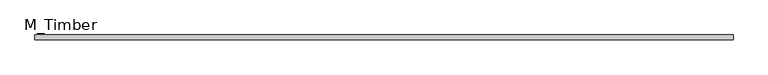
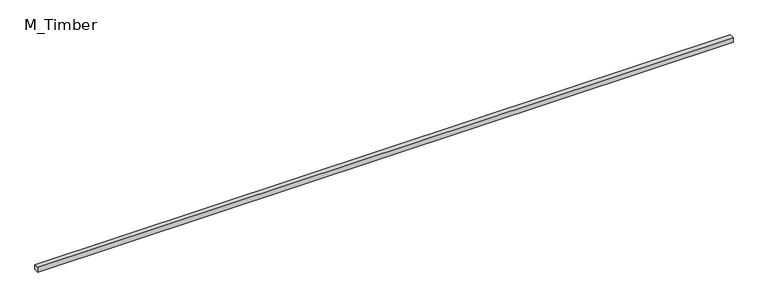
"""IFC4 building model written with IfcOpenShell, lengths in millimetres: beam geometry, M_Timber."""

from ifc_helpers import new_model, si_unit, frame, origin, place, context, project, spatial, polyline, outline, extrude, source, transform, mapped, element, save


def m_timber_e3a455fd(model_context):
    return source(origin(), model_context, "Body", "SweptSolid", [
        extrude(outline(polyline([(2876.1103238, 20.0), (2876.1103238, -20.0), (-2876.1103238, -20.0), (-2876.1103238, 20.0), (2876.1103238, 20.0)])), frame((0.0, 0.0, -20.0), z_axis=(0.0, 0.0, 1.0), x_axis=(1.0, 0.0, 0.0)), (0.0, 0.0, 1.0), 40.0),
    ])


if __name__ == "__main__":
    model = new_model("IFC4")
    model_context = context("Model", 3, world=origin())
    ifc_project = project(units=[si_unit("LENGTHUNIT", "METRE", prefix="MILLI")], contexts=[model_context])
    site = spatial("IfcSite", under=ifc_project)
    building = spatial("IfcBuilding", under=site)
    placement = place(None, origin())
    m_timber_shape = m_timber_e3a455fd(model_context)
    element("IfcBeam", 1, ObjectType="M_Timber", at=placement, inside=building, context=model_context, shape_type="MappedRepresentation", body=[
        mapped(m_timber_shape, transform((0.0, 0.0, 0.0), x_axis=(1.0, 0.0, 0.0), y_axis=(0.0, 1.0, 0.0), z_axis=(0.0, 0.0, 1.0))),
    ])
    save(model, "model.ifc")
